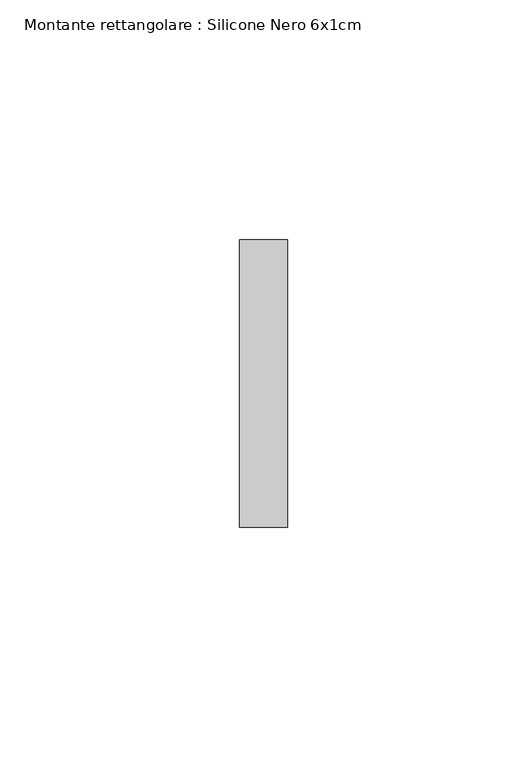
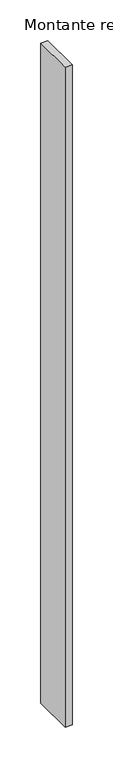
"""IFC4 building model written with IfcOpenShell, lengths in millimetres: member geometry, Montante rettangolare : Silicone Nero 6x1cm."""

from ifc_helpers import new_model, si_unit, frame, origin, place, context, project, spatial, polyline, outline, extrude, source, transform, mapped, element, save


def montante_rettangolare_silicone_nero_6x1cm_cae0af9c(model_context):
    return source(origin(), model_context, "Body", "SweptSolid", [
        extrude(outline(polyline([(0.0, 60.0), (0.0, 0.0), (-10.0, 0.0), (-10.0, 60.0), (0.0, 60.0)])), frame((0.0, 0.0, -990.0), z_axis=(0.0, 0.0, 1.0), x_axis=(1.0, 0.0, 0.0)), (0.0, 0.0, 1.0), 990.0),
    ])


if __name__ == "__main__":
    model = new_model("IFC4")
    model_context = context("Model", 3, world=origin())
    ifc_project = project(units=[si_unit("LENGTHUNIT", "METRE", prefix="MILLI")], contexts=[model_context])
    site = spatial("IfcSite", under=ifc_project)
    building = spatial("IfcBuilding", under=site)
    placement = place(None, origin())
    montante_rettangolare_silicone_nero_6x1cm_shape = montante_rettangolare_silicone_nero_6x1cm_cae0af9c(model_context)
    element("IfcMember", 1, ObjectType="Montante rettangolare : Silicone Nero 6x1cm", at=placement, inside=building, context=model_context, shape_type="MappedRepresentation", body=[
        mapped(montante_rettangolare_silicone_nero_6x1cm_shape, transform((0.0, 0.0, 0.0), x_axis=(1.0, 0.0, 0.0), y_axis=(0.0, 1.0, 0.0), z_axis=(0.0, 0.0, 1.0))),
    ])
    save(model, "model.ifc")
